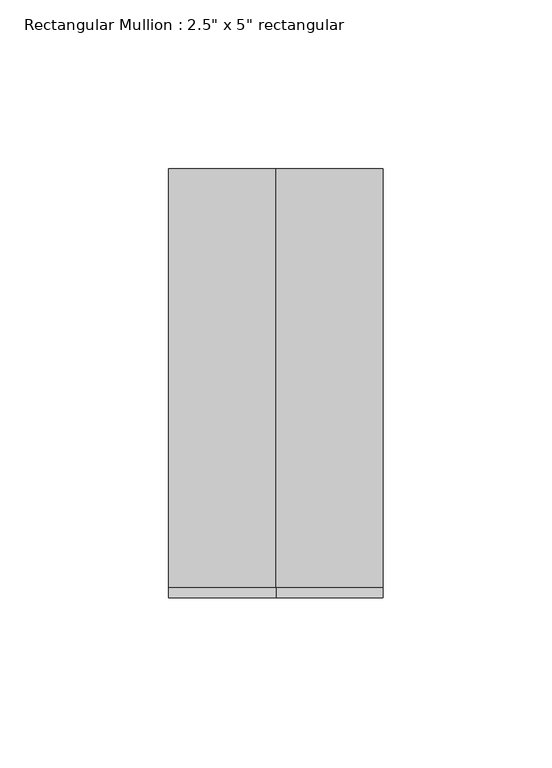
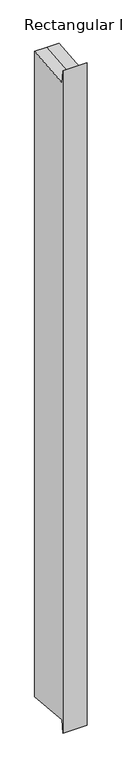
"""IFC4 building model written with IfcOpenShell, lengths in millimetres: member geometry."""

from ifc_helpers import new_model, si_unit, origin, place, context, project, spatial, faceted_brep, source, transform, mapped, element, save


def member_e71f73f7(model_context):
    return source(origin(), model_context, "Body", "Brep", [
        faceted_brep([(-31.75, 63.5, 5.6774415), (0.0, 63.5, 5.6774415), (31.75, 63.5, 5.6774415), (31.75, 63.5, -1770.9774415), (0.0, 63.5, -1770.9774415), (-31.75, 63.5, -1770.9774415), (-31.75, -63.5, 28.8510219), (-31.75, -60.3429067, -5.6538247), (-31.75, -60.3429067, -1759.6461753), (-31.75, -63.5, -1794.1510219), (31.75, -63.5, 28.8510219), (0.0, -63.5, 28.8510219), (0.0, -63.5, -1794.1510219), (31.75, -63.5, -1794.1510219), (31.75, -60.3429067, -5.6538247), (31.75, -60.3429067, -1759.6461753), (0.0, -60.3429067, -5.6538247), (0.0, -60.3429067, -1759.6461753)], [[[0, 1, 2, 3, 4, 5]], [[6, 7, 0, 5, 8, 9]], [[10, 11, 6, 9, 12, 13]], [[2, 14, 10, 13, 15, 3]], [[2, 1, 16, 14]], [[1, 0, 7, 16]], [[7, 6, 11, 16]], [[11, 10, 14, 16]], [[3, 15, 17, 4]], [[15, 13, 12, 17]], [[12, 9, 8, 17]], [[8, 5, 4, 17]]]),
    ])


if __name__ == "__main__":
    model = new_model("IFC4")
    model_context = context("Model", 3, world=origin())
    ifc_project = project(units=[si_unit("LENGTHUNIT", "METRE", prefix="MILLI")], contexts=[model_context])
    site = spatial("IfcSite", under=ifc_project)
    building = spatial("IfcBuilding", under=site)
    placement = place(None, origin())
    member_shape = member_e71f73f7(model_context)
    element("IfcMember", 1, ObjectType="Rectangular Mullion : 2.5\" x 5\" rectangular", at=placement, inside=building, context=model_context, shape_type="MappedRepresentation", body=[
        mapped(member_shape, transform((0.0, 0.0, 0.0), x_axis=(1.0, 0.0, 0.0), y_axis=(0.0, 1.0, 0.0), z_axis=(0.0, 0.0, 1.0))),
    ])
    save(model, "model.ifc")
